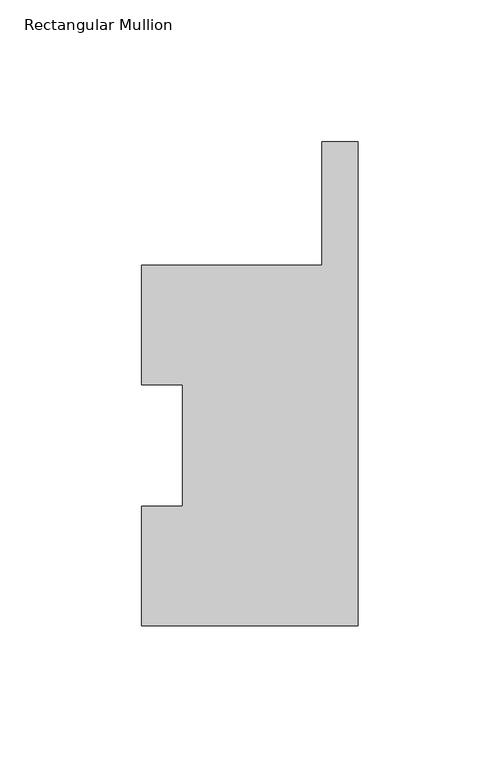
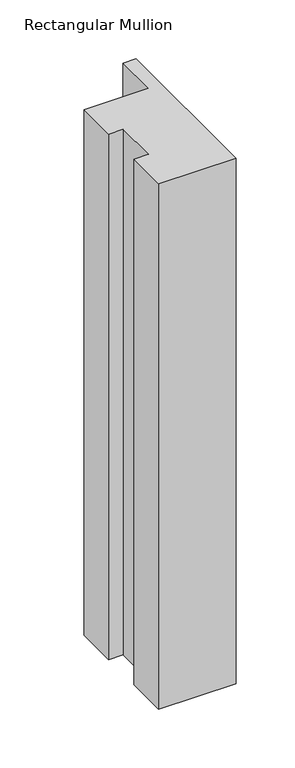
"""IFC4 building model written with IfcOpenShell, lengths in millimetres: member geometry, Rectangular Mullion."""

from ifc_helpers import new_model, si_unit, frame, origin, place, context, project, spatial, polyline, outline, extrude, source, transform, mapped, element, save


def rectangular_mullion_fef5f04e(model_context):
    return source(origin(), model_context, "Body", "SweptSolid", [
        extrude(outline(polyline([(-12.7, 127.006348), (-12.7, 170.4246878), (0.0, 170.4246878), (0.0, 0.0063465), (-76.2, 0.0063465), (-76.2, 42.0814491), (-61.9125, 42.0814491), (-61.9125, 84.93125), (-76.2, 84.93125), (-76.2, 127.006348), (-12.7, 127.006348)])), frame((0.0, 0.0, -546.1), z_axis=(0.0, 0.0, 1.0), x_axis=(1.0, 0.0, 0.0)), (0.0, 0.0, 1.0), 546.1),
    ])


if __name__ == "__main__":
    model = new_model("IFC4")
    model_context = context("Model", 3, world=origin())
    ifc_project = project(units=[si_unit("LENGTHUNIT", "METRE", prefix="MILLI")], contexts=[model_context])
    site = spatial("IfcSite", under=ifc_project)
    building = spatial("IfcBuilding", under=site)
    placement = place(None, origin())
    rectangular_mullion_shape = rectangular_mullion_fef5f04e(model_context)
    element("IfcMember", 1, ObjectType="Rectangular Mullion", at=placement, inside=building, context=model_context, shape_type="MappedRepresentation", body=[
        mapped(rectangular_mullion_shape, transform((0.0, 0.0, 0.0), x_axis=(1.0, 0.0, 0.0), y_axis=(0.0, 1.0, 0.0), z_axis=(0.0, 0.0, 1.0))),
    ])
    save(model, "model.ifc")
